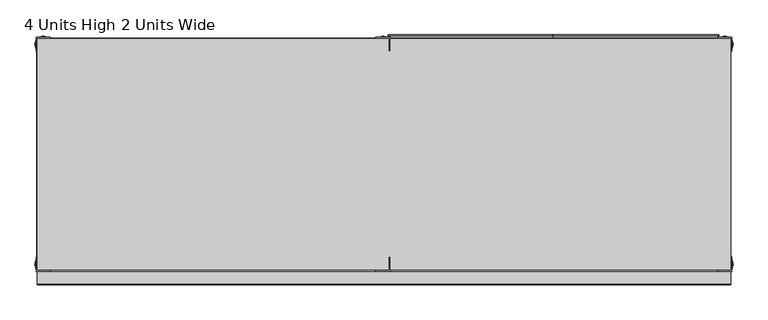
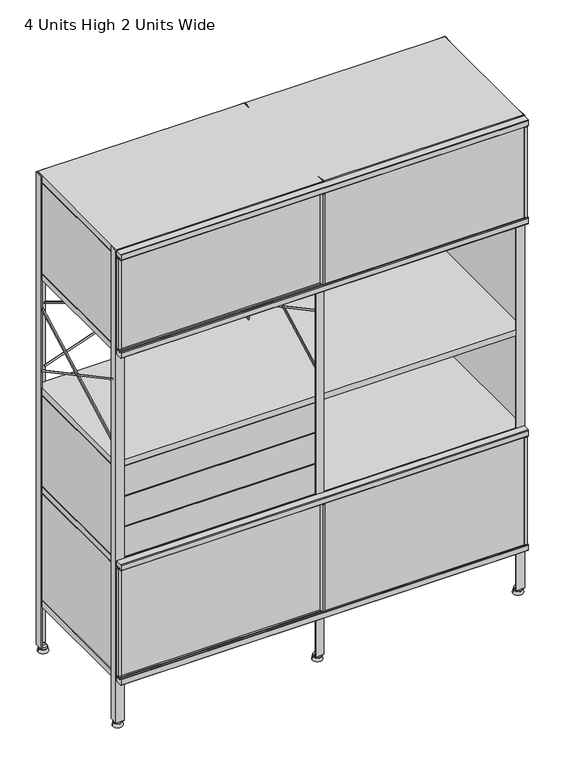
"""IFC4 building model written with IfcOpenShell, lengths in millimetres: furniture geometry, 4 Units High 2 Units Wide."""

from ifc_helpers import new_model, si_unit, point, frame, frame_2d, origin, place, context, project, spatial, polyline, circle_curve, trimmed, segment, composite_curve, outline, extrude, source, transform, mapped, element, save
from ifc_brep_helpers import plane_surface, cylinder_surface, revolved_surface, advanced_brep


def furniture_4_units_high_2_units_wide_378508bb(model_context):
    return source(origin(), model_context, "Body", "SolidModel", [
        extrude(outline(polyline([(8.3478812, -200.02373), (5.1728814, -200.02373), (5.1728814, 200.02627), (8.3478812, 200.02627), (8.3478812, -200.02373)])), frame((0.0, 0.0, 523.8750121), z_axis=(0.0, 0.0, 1.0), x_axis=(1.0, 0.0, 0.0)), (0.0, 0.0, 1.0), 279.3999879),
        extrude(outline(polyline([(-180.6932965, 804.9090815), (-180.6932965, 522.3341057), (-199.7432965, 522.3341057), (-199.7432965, 614.4090815), (-196.5682965, 614.4090815), (-196.5682965, 617.5841057), (-199.7432965, 617.5841057), (-199.7432965, 709.6590815), (-196.5682965, 709.6590815), (-196.5682965, 712.8341057), (-199.7432965, 712.8341057), (-199.7432965, 804.9090815), (-180.6932965, 804.9090815)])), frame((-575.9091662, 0.0, 0.0), z_axis=(1.0, 0.0, 0.0), x_axis=(0.0, 1.0, 0.0)), (0.0, 0.0, 1.0), 561.1812394),
        extrude(outline(composite_curve([segment(trimmed(circle_curve(frame_2d((-601.2661441, -0.4511299)), 2.38125), [point((-601.2661441, 1.93012))], [point((-601.2661441, -2.83238))], False, "CARTESIAN"), True, "CONTINUOUS"), segment(trimmed(circle_curve(frame_2d((-601.2661441, -0.4511299)), 2.38125), [point((-601.2661441, -2.83238))], [point((-601.2661441, 1.93012))], False, "CARTESIAN"), True, "CONTINUOUS")], self_intersect=False)), frame((609.6, 183.0163154, 217.0250161), z_axis=(0.0, -0.8819407308126632, 0.47136031582392013), x_axis=(1.0, 0.0, 0.0)), (0.0, 0.0, 1.0), 412.85537),
        extrude(outline(composite_curve([segment(trimmed(circle_curve(frame_2d((-601.2661441, 0.0)), 2.38125), [point((-601.2661441, 2.38125))], [point((-601.2661441, -2.38125))], False, "CARTESIAN"), True, "CONTINUOUS"), segment(trimmed(circle_curve(frame_2d((-601.2661441, 0.0)), 2.38125), [point((-601.2661441, -2.38125))], [point((-601.2661441, 2.38125))], False, "CARTESIAN"), True, "CONTINUOUS")], self_intersect=False)), frame((609.6, -182.0584022, 217.0282136), z_axis=(0.0, 0.8819490079467, 0.47134482852984805), x_axis=(1.0, 0.0, 0.0)), (0.0, 0.0, 1.0), 412.855368),
        extrude(outline(polyline([(11.11123, 196.8512702), (11.11123, 200.02627), (595.3137702, 200.02627), (595.3137702, 196.8512702), (11.11123, 196.8512702)])), frame((0.0, 0.0, 1184.275), z_axis=(0.0, 0.0, 1.0), x_axis=(1.0, 0.0, 0.0)), (0.0, 0.0, 1.0), 279.4),
        extrude(outline(polyline([(6.34873, 200.02627), (6.34873, 196.8512702), (-595.3137702, 196.8512702), (-595.3137702, 200.02627), (6.34873, 200.02627)])), frame((0.0, 0.0, 1184.275), z_axis=(0.0, 0.0, 1.0), x_axis=(1.0, 0.0, 0.0)), (0.0, 0.0, 1.0), 279.4),
        extrude(outline(polyline([(11.11123, 196.8512702), (11.11123, 200.02627), (595.3137702, 200.02627), (595.3137702, 196.8512702), (11.11123, 196.8512702)])), frame((0.0, 0.0, 523.875), z_axis=(0.0, 0.0, 1.0), x_axis=(1.0, 0.0, 0.0)), (0.0, 0.0, 1.0), 279.4),
        extrude(outline(polyline([(6.34873, 200.02627), (6.34873, 196.8512702), (-595.3137702, 196.8512702), (-595.3137702, 200.02627), (6.34873, 200.02627)])), frame((0.0, 0.0, 523.875), z_axis=(0.0, 0.0, 1.0), x_axis=(1.0, 0.0, 0.0)), (0.0, 0.0, 1.0), 279.4),
        extrude(outline(polyline([(598.48877, -200.02373), (595.3137702, -200.02373), (595.3137702, 200.02627), (598.48877, 200.02627), (598.48877, -200.02373)])), frame((0.0, 0.0, 1184.2750121), z_axis=(0.0, 0.0, 1.0), x_axis=(1.0, 0.0, 0.0)), (0.0, 0.0, 1.0), 279.3999879),
        extrude(outline(polyline([(598.48877, -200.02373), (595.3137702, -200.02373), (595.3137702, 200.02627), (598.48877, 200.02627), (598.48877, -200.02373)])), frame((0.0, 0.0, 828.6749879), z_axis=(0.0, 0.0, 1.0), x_axis=(1.0, 0.0, 0.0)), (0.0, 0.0, 1.0), 330.1999939),
        extrude(outline(polyline([(598.48877, -200.02373), (595.3137702, -200.02373), (595.3137702, 200.02627), (598.48877, 200.02627), (598.48877, -200.02373)])), frame((0.0, 0.0, 523.8750121), z_axis=(0.0, 0.0, 1.0), x_axis=(1.0, 0.0, 0.0)), (0.0, 0.0, 1.0), 279.3999879),
        extrude(outline(polyline([(-595.3137702, -200.02373), (-598.48877, -200.02373), (-598.48877, 200.02627), (-595.3137702, 200.02627), (-595.3137702, -200.02373)])), frame((0.0, 0.0, 1184.2750121), z_axis=(0.0, 0.0, 1.0), x_axis=(1.0, 0.0, 0.0)), (0.0, 0.0, 1.0), 279.3999879),
        extrude(outline(polyline([(-595.3137702, -200.02373), (-598.48877, -200.02373), (-598.48877, 200.02627), (-595.3137702, 200.02627), (-595.3137702, -200.02373)])), frame((0.0, 0.0, 523.8750121), z_axis=(0.0, 0.0, 1.0), x_axis=(1.0, 0.0, 0.0)), (0.0, 0.0, 1.0), 279.3999879),
        extrude(outline(polyline([(-598.48877, 200.02627), (7.9362421, 200.02627), (7.9362421, 177.8012708), (11.11123, 177.8012708), (11.11123, 200.02627), (598.4862058, 200.02627), (598.4862058, -200.02373), (11.11123, -200.02373), (11.11123, -177.7987421), (7.9362421, -177.7987421), (7.9362421, -200.02373), (-598.48877, -200.02373), (-598.48877, 200.02627)])), frame((0.0, 0.0, 1162.05), z_axis=(0.0, 0.0, 1.0), x_axis=(1.0, 0.0, 0.0)), (0.0, 0.0, 1.0), 19.05),
        extrude(outline(polyline([(-598.48877, 200.02627), (7.9362421, 200.02627), (7.9362421, 177.8012708), (11.11123, 177.8012708), (11.11123, 200.02627), (598.4862058, 200.02627), (598.4862058, -200.02373), (11.11123, -200.02373), (11.11123, -177.7987421), (7.9362421, -177.7987421), (7.9362421, -200.02373), (-598.48877, -200.02373), (-598.48877, 200.02627)])), frame((0.0, 0.0, 806.45), z_axis=(0.0, 0.0, 1.0), x_axis=(1.0, 0.0, 0.0)), (0.0, 0.0, 1.0), 19.05),
        extrude(outline(polyline([(-598.48877, 200.02627), (7.9362421, 200.02627), (7.9362421, 177.8012708), (11.11123, 177.8012708), (11.11123, 200.02627), (598.4862058, 200.02627), (598.4862058, -200.02373), (11.11123, -200.02373), (11.11123, -177.7987421), (7.9362421, -177.7987421), (7.9362421, -200.02373), (-598.48877, -200.02373), (-598.48877, 200.02627)])), frame((0.0, 0.0, 501.6500121), z_axis=(0.0, 0.0, 1.0), x_axis=(1.0, 0.0, 0.0)), (0.0, 0.0, 1.0), 19.0499879),
        extrude(outline(polyline([(11.11123, 196.8512702), (11.11123, 200.02627), (595.3137702, 200.02627), (595.3137702, 196.8512702), (11.11123, 196.8512702)])), frame((0.0, 0.0, 168.2749939), z_axis=(0.0, 0.0, 1.0), x_axis=(1.0, 0.0, 0.0)), (0.0, 0.0, 1.0), 330.1999939),
        extrude(outline(polyline([(6.34873, 200.02627), (6.34873, 196.8512702), (-595.3137702, 196.8512702), (-595.3137702, 200.02627), (6.34873, 200.02627)])), frame((0.0, 0.0, 168.2749939), z_axis=(0.0, 0.0, 1.0), x_axis=(1.0, 0.0, 0.0)), (0.0, 0.0, 1.0), 330.1999939),
        extrude(outline(polyline([(598.48877, -200.02373), (595.3137702, -200.02373), (595.3137702, 200.02627), (598.48877, 200.02627), (598.48877, -200.02373)])), frame((0.0, 0.0, 168.2749939), z_axis=(0.0, 0.0, 1.0), x_axis=(1.0, 0.0, 0.0)), (0.0, 0.0, 1.0), 330.1999939),
        extrude(outline(polyline([(-595.3137702, -200.02373), (-598.48877, -200.02373), (-598.48877, 200.02627), (-595.3137702, 200.02627), (-595.3137702, -200.02373)])), frame((0.0, 0.0, 168.2749939), z_axis=(0.0, 0.0, 1.0), x_axis=(1.0, 0.0, 0.0)), (0.0, 0.0, 1.0), 330.1999939),
        extrude(outline(polyline([(-598.48877, 200.02627), (7.9362421, 200.02627), (7.9362421, 177.8012708), (11.11123, 177.8012708), (11.11123, 200.02627), (598.4862058, 200.02627), (598.4862058, -200.02373), (11.11123, -200.02373), (11.11123, -177.7987421), (7.9362421, -177.7987421), (7.9362421, -200.02373), (-598.48877, -200.02373), (-598.48877, 200.02627)])), frame((0.0, 0.0, 146.049997), z_axis=(0.0, 0.0, 1.0), x_axis=(1.0, 0.0, 0.0)), (0.0, 0.0, 1.0), 19.0500091),
        extrude(outline(polyline([(600.8674558, 177.8012708), (598.4862058, 177.8012708), (598.4862058, 200.02627), (576.2612542, 200.02627), (576.2612542, 202.40752), (600.8674558, 202.40752), (600.8674558, 177.8012708)])), frame((0.0, 0.0, 15.8749996), z_axis=(0.0, 0.0, 1.0), x_axis=(1.0, 0.0, 0.0)), (0.0, 0.0, 1.0), 1468.5772004),
        extrude(outline(polyline([(576.2612542, -202.40498), (576.2612542, -200.02373), (598.4862058, -200.02373), (598.4862058, -177.7987421), (600.8674558, -177.7987421), (600.8674558, -202.40498), (576.2612542, -202.40498)])), frame((0.0, 0.0, 15.8749996), z_axis=(0.0, 0.0, 1.0), x_axis=(1.0, 0.0, 0.0)), (0.0, 0.0, 1.0), 1468.5772004),
        extrude(outline(polyline([(-600.87002, 177.8012708), (-600.87002, 202.40752), (-576.2637708, 202.40752), (-576.2637708, 200.02627), (-598.48877, 200.02627), (-598.48877, 177.8012708), (-600.87002, 177.8012708)])), frame((0.0, 0.0, 15.8749996), z_axis=(0.0, 0.0, 1.0), x_axis=(1.0, 0.0, 0.0)), (0.0, 0.0, 1.0), 1468.5772004),
        extrude(outline(polyline([(-600.87002, -202.40498), (-600.87002, -177.7987421), (-598.48877, -177.7987421), (-598.48877, -200.02373), (-576.2637708, -200.02373), (-576.2637708, -202.40498), (-600.87002, -202.40498)])), frame((0.0, 0.0, 15.8749996), z_axis=(0.0, 0.0, 1.0), x_axis=(1.0, 0.0, 0.0)), (0.0, 0.0, 1.0), 1468.5772004),
        extrude(outline(polyline([(8.3478812, -200.02373), (8.3478812, -177.7987421), (10.7291312, -177.7987421), (10.7291312, -202.40498), (-13.877143, -202.40498), (-13.877143, -200.02373), (8.3478812, -200.02373)])), frame((0.0, 0.0, 15.8749996), z_axis=(0.0, 0.0, 1.0), x_axis=(1.0, 0.0, 0.0)), (0.0, 0.0, 1.0), 1468.5772004),
        extrude(outline(polyline([(10.7273145, 177.8012708), (8.3460645, 177.8012708), (8.3460645, 200.02627), (-13.8789234, 200.02627), (-13.8789234, 202.40752), (10.7273145, 202.40752), (10.7273145, 177.8012708)])), frame((0.0, 0.0, 15.8749996), z_axis=(0.0, 0.0, 1.0), x_axis=(1.0, 0.0, 0.0)), (0.0, 0.0, 1.0), 1468.5772004),
        advanced_brep(
        [(588.564355, 190.1043954, 0.0), (602.8518561, 190.1043954, 0.0), (574.2768539, 190.1043954, 0.0), (601.2643554, 190.1043954, 9.525), (575.8643546, 190.1043954, 9.525), (599.6768546, 190.1043954, 9.525), (577.4518554, 190.1043954, 9.525), (599.6768546, 190.1043954, 15.8749996), (577.4518554, 190.1043954, 15.8749996), (588.564355, 190.1043954, 15.8749996)],
        [
            (0, 1),
            (1, 2, circle_curve(frame((588.564355, 190.1043954, 0.0), z_axis=(0.0, 0.0, -1.0), x_axis=(1.0, 0.0, 0.0)), 14.2875011)),
            (2, 0),
            (2, 1, circle_curve(frame((588.564355, 190.1043954, 0.0), z_axis=(0.0, 0.0, -1.0), x_axis=(1.0, 0.0, 0.0)), 14.2875011)),
            (1, 3),
            (3, 4, circle_curve(frame((588.564355, 190.1043954, 9.525), z_axis=(0.0, 0.0, -1.0), x_axis=(1.0, 0.0, 0.0)), 12.7000004)),
            (4, 2),
            (4, 3, circle_curve(frame((588.564355, 190.1043954, 9.525), z_axis=(0.0, 0.0, -1.0), x_axis=(1.0, 0.0, 0.0)), 12.7000004)),
            (3, 5),
            (5, 6, circle_curve(frame((588.564355, 190.1043954, 9.525), z_axis=(0.0, 0.0, -1.0), x_axis=(1.0, 0.0, 0.0)), 11.1124996)),
            (6, 4),
            (6, 5, circle_curve(frame((588.564355, 190.1043954, 9.525), z_axis=(0.0, 0.0, -1.0), x_axis=(1.0, 0.0, 0.0)), 11.1124996)),
            (5, 7),
            (7, 8, circle_curve(frame((588.564355, 190.1043954, 15.8749996), z_axis=(0.0, 0.0, -1.0), x_axis=(1.0, 0.0, 0.0)), 11.1124996)),
            (8, 6),
            (8, 7, circle_curve(frame((588.564355, 190.1043954, 15.8749996), z_axis=(0.0, 0.0, -1.0), x_axis=(1.0, 0.0, 0.0)), 11.1124996)),
            (7, 9),
            (9, 8),
        ],
        [
            plane_surface(frame((588.564355, 190.1043954, 0.0), z_axis=(0.0, 0.0, -1.0), x_axis=(1.0, 0.0, 0.0))),
            revolved_surface(polyline([(601.2643554, 190.1043954, 9.525), (602.8518561, 190.1043954, 0.0)]), (588.564355, 190.1043954, 0.0), (0.0, 0.0, -1.0)),
            plane_surface(frame((588.564355, 190.1043954, 9.525), z_axis=(0.0, 0.0, 1.0), x_axis=(1.0, 0.0, 0.0))),
            cylinder_surface(frame((588.564355, 190.1043954, 0.0), z_axis=(0.0, 0.0, -1.0), x_axis=(1.0, 0.0, 0.0)), 11.1124996),
            plane_surface(frame((588.564355, 190.1043954, 15.8749996), z_axis=(0.0, 0.0, 1.0), x_axis=(1.0, 0.0, 0.0))),
        ],
        [
            (0, [[1, 2, 3]]),
            (0, [[-3, 4, -1]]),
            (1, [[-2, 5, 6, 7]]),
            (1, [[-4, -7, 8, -5]]),
            (2, [[-6, 9, 10, 11]]),
            (2, [[-8, -11, 12, -9]]),
            (3, [[-10, 13, 14, 15]]),
            (3, [[-12, -15, 16, -13]]),
            (4, [[-14, 17, 18]]),
            (4, [[-16, -18, -17]]),
        ],
    ),
        advanced_brep(
        [(588.564355, -190.1018429, 0.0), (602.8518561, -190.1018429, 0.0), (574.2768539, -190.1018429, 0.0), (601.2643554, -190.1018429, 9.525), (575.8643546, -190.1018429, 9.525), (599.6768546, -190.1018429, 9.525), (577.4518554, -190.1018429, 9.525), (599.6768546, -190.1018429, 15.8749996), (577.4518554, -190.1018429, 15.8749996), (588.564355, -190.1018429, 15.8749996)],
        [
            (0, 1),
            (1, 2, circle_curve(frame((588.564355, -190.1018429, 0.0), z_axis=(0.0, 0.0, -1.0), x_axis=(1.0, 0.0, 0.0)), 14.2875011)),
            (2, 0),
            (2, 1, circle_curve(frame((588.564355, -190.1018429, 0.0), z_axis=(0.0, 0.0, -1.0), x_axis=(1.0, 0.0, 0.0)), 14.2875011)),
            (1, 3),
            (3, 4, circle_curve(frame((588.564355, -190.1018429, 9.525), z_axis=(0.0, 0.0, -1.0), x_axis=(1.0, 0.0, 0.0)), 12.7000004)),
            (4, 2),
            (4, 3, circle_curve(frame((588.564355, -190.1018429, 9.525), z_axis=(0.0, 0.0, -1.0), x_axis=(1.0, 0.0, 0.0)), 12.7000004)),
            (3, 5),
            (5, 6, circle_curve(frame((588.564355, -190.1018429, 9.525), z_axis=(0.0, 0.0, -1.0), x_axis=(1.0, 0.0, 0.0)), 11.1124996)),
            (6, 4),
            (6, 5, circle_curve(frame((588.564355, -190.1018429, 9.525), z_axis=(0.0, 0.0, -1.0), x_axis=(1.0, 0.0, 0.0)), 11.1124996)),
            (5, 7),
            (7, 8, circle_curve(frame((588.564355, -190.1018429, 15.8749996), z_axis=(0.0, 0.0, -1.0), x_axis=(1.0, 0.0, 0.0)), 11.1124996)),
            (8, 6),
            (8, 7, circle_curve(frame((588.564355, -190.1018429, 15.8749996), z_axis=(0.0, 0.0, -1.0), x_axis=(1.0, 0.0, 0.0)), 11.1124996)),
            (7, 9),
            (9, 8),
        ],
        [
            plane_surface(frame((588.564355, -190.1018429, 0.0), z_axis=(0.0, 0.0, -1.0), x_axis=(1.0, 0.0, 0.0))),
            revolved_surface(polyline([(601.2643554, -190.1018429, 9.525), (602.8518561, -190.1018429, 0.0)]), (588.564355, -190.1018429, 0.0), (0.0, 0.0, -1.0)),
            plane_surface(frame((588.564355, -190.1018429, 9.525), z_axis=(0.0, 0.0, 1.0), x_axis=(1.0, 0.0, 0.0))),
            cylinder_surface(frame((588.564355, -190.1018429, 0.0), z_axis=(0.0, 0.0, -1.0), x_axis=(1.0, 0.0, 0.0)), 11.1124996),
            plane_surface(frame((588.564355, -190.1018429, 15.8749996), z_axis=(0.0, 0.0, 1.0), x_axis=(1.0, 0.0, 0.0))),
        ],
        [
            (0, [[1, 2, 3]]),
            (0, [[-3, 4, -1]]),
            (1, [[-2, 5, 6, 7]]),
            (1, [[-4, -7, 8, -5]]),
            (2, [[-6, 9, 10, 11]]),
            (2, [[-8, -11, 12, -9]]),
            (3, [[-10, 13, 14, 15]]),
            (3, [[-12, -15, 16, -13]]),
            (4, [[-14, 17, 18]]),
            (4, [[-16, -18, -17]]),
        ],
    ),
        advanced_brep(
        [(-1.5740059, 190.1043954, 0.0), (12.7134953, 190.1043954, 0.0), (-15.861507, 190.1043954, 0.0), (11.1259945, 190.1043954, 9.525), (-14.2740063, 190.1043954, 9.525), (9.5384937, 190.1043954, 9.525), (-12.6865055, 190.1043954, 9.525), (9.5384937, 190.1043954, 15.8749996), (-12.6865055, 190.1043954, 15.8749996), (-1.5740059, 190.1043954, 15.8749996)],
        [
            (0, 1),
            (1, 2, circle_curve(frame((-1.5740059, 190.1043954, 0.0), z_axis=(0.0, 0.0, -1.0), x_axis=(1.0, 0.0, 0.0)), 14.2875011)),
            (2, 0),
            (2, 1, circle_curve(frame((-1.5740059, 190.1043954, 0.0), z_axis=(0.0, 0.0, -1.0), x_axis=(1.0, 0.0, 0.0)), 14.2875011)),
            (1, 3),
            (3, 4, circle_curve(frame((-1.5740059, 190.1043954, 9.525), z_axis=(0.0, 0.0, -1.0), x_axis=(1.0, 0.0, 0.0)), 12.7000004)),
            (4, 2),
            (4, 3, circle_curve(frame((-1.5740059, 190.1043954, 9.525), z_axis=(0.0, 0.0, -1.0), x_axis=(1.0, 0.0, 0.0)), 12.7000004)),
            (3, 5),
            (5, 6, circle_curve(frame((-1.5740059, 190.1043954, 9.525), z_axis=(0.0, 0.0, -1.0), x_axis=(1.0, 0.0, 0.0)), 11.1124996)),
            (6, 4),
            (6, 5, circle_curve(frame((-1.5740059, 190.1043954, 9.525), z_axis=(0.0, 0.0, -1.0), x_axis=(1.0, 0.0, 0.0)), 11.1124996)),
            (5, 7),
            (7, 8, circle_curve(frame((-1.5740059, 190.1043954, 15.8749996), z_axis=(0.0, 0.0, -1.0), x_axis=(1.0, 0.0, 0.0)), 11.1124996)),
            (8, 6),
            (8, 7, circle_curve(frame((-1.5740059, 190.1043954, 15.8749996), z_axis=(0.0, 0.0, -1.0), x_axis=(1.0, 0.0, 0.0)), 11.1124996)),
            (7, 9),
            (9, 8),
        ],
        [
            plane_surface(frame((-1.5740059, 190.1043954, 0.0), z_axis=(0.0, 0.0, -1.0), x_axis=(1.0, 0.0, 0.0))),
            revolved_surface(polyline([(11.1259945, 190.1043954, 9.525), (12.7134953, 190.1043954, 0.0)]), (-1.5740059, 190.1043954, 0.0), (0.0, 0.0, -1.0)),
            plane_surface(frame((-1.5740059, 190.1043954, 9.525), z_axis=(0.0, 0.0, 1.0), x_axis=(1.0, 0.0, 0.0))),
            cylinder_surface(frame((-1.5740059, 190.1043954, 0.0), z_axis=(0.0, 0.0, -1.0), x_axis=(1.0, 0.0, 0.0)), 11.1124996),
            plane_surface(frame((-1.5740059, 190.1043954, 15.8749996), z_axis=(0.0, 0.0, 1.0), x_axis=(1.0, 0.0, 0.0))),
        ],
        [
            (0, [[1, 2, 3]]),
            (0, [[-3, 4, -1]]),
            (1, [[-2, 5, 6, 7]]),
            (1, [[-4, -7, 8, -5]]),
            (2, [[-6, 9, 10, 11]]),
            (2, [[-8, -11, 12, -9]]),
            (3, [[-10, 13, 14, 15]]),
            (3, [[-12, -15, 16, -13]]),
            (4, [[-14, 17, 18]]),
            (4, [[-16, -18, -17]]),
        ],
    ),
        advanced_brep(
        [(-1.5740059, -190.1018429, 0.0), (12.7134953, -190.1018429, 0.0), (-15.861507, -190.1018429, 0.0), (11.1259945, -190.1018429, 9.525), (-14.2740063, -190.1018429, 9.525), (9.5384937, -190.1018429, 9.525), (-12.6865055, -190.1018429, 9.525), (9.5384937, -190.1018429, 15.8749996), (-12.6865055, -190.1018429, 15.8749996), (-1.5740059, -190.1018429, 15.8749996)],
        [
            (0, 1),
            (1, 2, circle_curve(frame((-1.5740059, -190.1018429, 0.0), z_axis=(0.0, 0.0, -1.0), x_axis=(1.0, 0.0, 0.0)), 14.2875011)),
            (2, 0),
            (2, 1, circle_curve(frame((-1.5740059, -190.1018429, 0.0), z_axis=(0.0, 0.0, -1.0), x_axis=(1.0, 0.0, 0.0)), 14.2875011)),
            (1, 3),
            (3, 4, circle_curve(frame((-1.5740059, -190.1018429, 9.525), z_axis=(0.0, 0.0, -1.0), x_axis=(1.0, 0.0, 0.0)), 12.7000004)),
            (4, 2),
            (4, 3, circle_curve(frame((-1.5740059, -190.1018429, 9.525), z_axis=(0.0, 0.0, -1.0), x_axis=(1.0, 0.0, 0.0)), 12.7000004)),
            (3, 5),
            (5, 6, circle_curve(frame((-1.5740059, -190.1018429, 9.525), z_axis=(0.0, 0.0, -1.0), x_axis=(1.0, 0.0, 0.0)), 11.1124996)),
            (6, 4),
            (6, 5, circle_curve(frame((-1.5740059, -190.1018429, 9.525), z_axis=(0.0, 0.0, -1.0), x_axis=(1.0, 0.0, 0.0)), 11.1124996)),
            (5, 7),
            (7, 8, circle_curve(frame((-1.5740059, -190.1018429, 15.8749996), z_axis=(0.0, 0.0, -1.0), x_axis=(1.0, 0.0, 0.0)), 11.1124996)),
            (8, 6),
            (8, 7, circle_curve(frame((-1.5740059, -190.1018429, 15.8749996), z_axis=(0.0, 0.0, -1.0), x_axis=(1.0, 0.0, 0.0)), 11.1124996)),
            (7, 9),
            (9, 8),
        ],
        [
            plane_surface(frame((-1.5740059, -190.1018429, 0.0), z_axis=(0.0, 0.0, -1.0), x_axis=(1.0, 0.0, 0.0))),
            revolved_surface(polyline([(11.1259945, -190.1018429, 9.525), (12.7134953, -190.1018429, 0.0)]), (-1.5740059, -190.1018429, 0.0), (0.0, 0.0, -1.0)),
            plane_surface(frame((-1.5740059, -190.1018429, 9.525), z_axis=(0.0, 0.0, 1.0), x_axis=(1.0, 0.0, 0.0))),
            cylinder_surface(frame((-1.5740059, -190.1018429, 0.0), z_axis=(0.0, 0.0, -1.0), x_axis=(1.0, 0.0, 0.0)), 11.1124996),
            plane_surface(frame((-1.5740059, -190.1018429, 15.8749996), z_axis=(0.0, 0.0, 1.0), x_axis=(1.0, 0.0, 0.0))),
        ],
        [
            (0, [[1, 2, 3]]),
            (0, [[-3, 4, -1]]),
            (1, [[-2, 5, 6, 7]]),
            (1, [[-4, -7, 8, -5]]),
            (2, [[-6, 9, 10, 11]]),
            (2, [[-8, -11, 12, -9]]),
            (3, [[-10, 13, 14, 15]]),
            (3, [[-12, -15, 16, -13]]),
            (4, [[-14, 17, 18]]),
            (4, [[-16, -18, -17]]),
        ],
    ),
        advanced_brep(
        [(-588.5668954, 190.1043954, 0.0), (-574.2793942, 190.1043954, 0.0), (-602.8543965, 190.1043954, 0.0), (-575.866895, 190.1043954, 9.525), (-601.2668958, 190.1043954, 9.525), (-577.4543958, 190.1043954, 9.525), (-599.679395, 190.1043954, 9.525), (-577.4543958, 190.1043954, 15.8749996), (-599.679395, 190.1043954, 15.8749996), (-588.5668954, 190.1043954, 15.8749996)],
        [
            (0, 1),
            (1, 2, circle_curve(frame((-588.5668954, 190.1043954, 0.0), z_axis=(0.0, 0.0, -1.0), x_axis=(1.0, 0.0, 0.0)), 14.2875011)),
            (2, 0),
            (2, 1, circle_curve(frame((-588.5668954, 190.1043954, 0.0), z_axis=(0.0, 0.0, -1.0), x_axis=(1.0, 0.0, 0.0)), 14.2875011)),
            (1, 3),
            (3, 4, circle_curve(frame((-588.5668954, 190.1043954, 9.525), z_axis=(0.0, 0.0, -1.0), x_axis=(1.0, 0.0, 0.0)), 12.7000004)),
            (4, 2),
            (4, 3, circle_curve(frame((-588.5668954, 190.1043954, 9.525), z_axis=(0.0, 0.0, -1.0), x_axis=(1.0, 0.0, 0.0)), 12.7000004)),
            (3, 5),
            (5, 6, circle_curve(frame((-588.5668954, 190.1043954, 9.525), z_axis=(0.0, 0.0, -1.0), x_axis=(1.0, 0.0, 0.0)), 11.1124996)),
            (6, 4),
            (6, 5, circle_curve(frame((-588.5668954, 190.1043954, 9.525), z_axis=(0.0, 0.0, -1.0), x_axis=(1.0, 0.0, 0.0)), 11.1124996)),
            (5, 7),
            (7, 8, circle_curve(frame((-588.5668954, 190.1043954, 15.8749996), z_axis=(0.0, 0.0, -1.0), x_axis=(1.0, 0.0, 0.0)), 11.1124996)),
            (8, 6),
            (8, 7, circle_curve(frame((-588.5668954, 190.1043954, 15.8749996), z_axis=(0.0, 0.0, -1.0), x_axis=(1.0, 0.0, 0.0)), 11.1124996)),
            (7, 9),
            (9, 8),
        ],
        [
            plane_surface(frame((-588.5668954, 190.1043954, 0.0), z_axis=(0.0, 0.0, -1.0), x_axis=(1.0, 0.0, 0.0))),
            revolved_surface(polyline([(-575.866895, 190.1043954, 9.525), (-574.2793942, 190.1043954, 0.0)]), (-588.5668954, 190.1043954, 0.0), (0.0, 0.0, -1.0)),
            plane_surface(frame((-588.5668954, 190.1043954, 9.525), z_axis=(0.0, 0.0, 1.0), x_axis=(1.0, 0.0, 0.0))),
            cylinder_surface(frame((-588.5668954, 190.1043954, 0.0), z_axis=(0.0, 0.0, -1.0), x_axis=(1.0, 0.0, 0.0)), 11.1124996),
            plane_surface(frame((-588.5668954, 190.1043954, 15.8749996), z_axis=(0.0, 0.0, 1.0), x_axis=(1.0, 0.0, 0.0))),
        ],
        [
            (0, [[1, 2, 3]]),
            (0, [[-3, 4, -1]]),
            (1, [[-2, 5, 6, 7]]),
            (1, [[-4, -7, 8, -5]]),
            (2, [[-6, 9, 10, 11]]),
            (2, [[-8, -11, 12, -9]]),
            (3, [[-10, 13, 14, 15]]),
            (3, [[-12, -15, 16, -13]]),
            (4, [[-14, 17, 18]]),
            (4, [[-16, -18, -17]]),
        ],
    ),
        advanced_brep(
        [(-588.5668954, -190.1018429, 0.0), (-574.2793942, -190.1018429, 0.0), (-602.8543965, -190.1018429, 0.0), (-575.866895, -190.1018429, 9.525), (-601.2668958, -190.1018429, 9.525), (-577.4543958, -190.1018429, 9.525), (-599.679395, -190.1018429, 9.525), (-577.4543958, -190.1018429, 15.8749996), (-599.679395, -190.1018429, 15.8749996), (-588.5668954, -190.1018429, 15.8749996)],
        [
            (0, 1),
            (1, 2, circle_curve(frame((-588.5668954, -190.1018429, 0.0), z_axis=(0.0, 0.0, -1.0), x_axis=(1.0, 0.0, 0.0)), 14.2875011)),
            (2, 0),
            (2, 1, circle_curve(frame((-588.5668954, -190.1018429, 0.0), z_axis=(0.0, 0.0, -1.0), x_axis=(1.0, 0.0, 0.0)), 14.2875011)),
            (1, 3),
            (3, 4, circle_curve(frame((-588.5668954, -190.1018429, 9.525), z_axis=(0.0, 0.0, -1.0), x_axis=(1.0, 0.0, 0.0)), 12.7000004)),
            (4, 2),
            (4, 3, circle_curve(frame((-588.5668954, -190.1018429, 9.525), z_axis=(0.0, 0.0, -1.0), x_axis=(1.0, 0.0, 0.0)), 12.7000004)),
            (3, 5),
            (5, 6, circle_curve(frame((-588.5668954, -190.1018429, 9.525), z_axis=(0.0, 0.0, -1.0), x_axis=(1.0, 0.0, 0.0)), 11.1124996)),
            (6, 4),
            (6, 5, circle_curve(frame((-588.5668954, -190.1018429, 9.525), z_axis=(0.0, 0.0, -1.0), x_axis=(1.0, 0.0, 0.0)), 11.1124996)),
            (5, 7),
            (7, 8, circle_curve(frame((-588.5668954, -190.1018429, 15.8749996), z_axis=(0.0, 0.0, -1.0), x_axis=(1.0, 0.0, 0.0)), 11.1124996)),
            (8, 6),
            (8, 7, circle_curve(frame((-588.5668954, -190.1018429, 15.8749996), z_axis=(0.0, 0.0, -1.0), x_axis=(1.0, 0.0, 0.0)), 11.1124996)),
            (7, 9),
            (9, 8),
        ],
        [
            plane_surface(frame((-588.5668954, -190.1018429, 0.0), z_axis=(0.0, 0.0, -1.0), x_axis=(1.0, 0.0, 0.0))),
            revolved_surface(polyline([(-575.866895, -190.1018429, 9.525), (-574.2793942, -190.1018429, 0.0)]), (-588.5668954, -190.1018429, 0.0), (0.0, 0.0, -1.0)),
            plane_surface(frame((-588.5668954, -190.1018429, 9.525), z_axis=(0.0, 0.0, 1.0), x_axis=(1.0, 0.0, 0.0))),
            cylinder_surface(frame((-588.5668954, -190.1018429, 0.0), z_axis=(0.0, 0.0, -1.0), x_axis=(1.0, 0.0, 0.0)), 11.1124996),
            plane_surface(frame((-588.5668954, -190.1018429, 15.8749996), z_axis=(0.0, 0.0, 1.0), x_axis=(1.0, 0.0, 0.0))),
        ],
        [
            (0, [[1, 2, 3]]),
            (0, [[-3, 4, -1]]),
            (1, [[-2, 5, 6, 7]]),
            (1, [[-4, -7, 8, -5]]),
            (2, [[-6, 9, 10, 11]]),
            (2, [[-8, -11, 12, -9]]),
            (3, [[-10, 13, 14, 15]]),
            (3, [[-12, -15, 16, -13]]),
            (4, [[-14, 17, 18]]),
            (4, [[-16, -18, -17]]),
        ],
    ),
        extrude(outline(polyline([(-598.48877, 200.02627), (7.9362421, 200.02627), (7.9362421, 177.8012708), (11.11123, 177.8012708), (11.11123, 200.02627), (598.4862058, 200.02627), (598.4862058, -200.02373), (11.11123, -200.02373), (11.11123, -177.7987421), (7.9362421, -177.7987421), (7.9362421, -200.02373), (-598.48877, -200.02373), (-598.48877, 200.02627)])), frame((0.0, 0.0, 1466.85), z_axis=(0.0, 0.0, 1.0), x_axis=(1.0, 0.0, 0.0)), (0.0, 0.0, 1.0), 19.05),
        extrude(outline(polyline([(592.5330808, -216.2198708), (592.5330808, -219.3948587), (3.1737421, -219.3948587), (3.1737421, -216.2198708), (592.5330808, -216.2198708)])), frame((0.0, 0.0, 1176.2516768), z_axis=(0.0, 0.0, 1.0), x_axis=(1.0, 0.0, 0.0)), (0.0, 0.0, 1.0), 294.2030451),
        extrude(outline(polyline([(-1.9981325, -206.6948708), (-1.9981325, -209.8698587), (-595.3137702, -209.8698587), (-595.3137702, -206.6948708), (-1.9981325, -206.6948708)])), frame((0.0, 0.0, 1176.2516768), z_axis=(0.0, 0.0, 1.0), x_axis=(1.0, 0.0, 0.0)), (0.0, 0.0, 1.0), 294.2030451),
        extrude(outline(polyline([(589.3581292, -216.2198708), (589.3581292, -212.2511087), (595.708105, -212.2511087), (595.708105, -223.3636208), (589.3581292, -223.3636208), (589.3581292, -219.3948587), (592.5330808, -219.3948587), (592.5330808, -216.2198708), (589.3581292, -216.2198708)])), frame((0.0, 0.0, 166.6875), z_axis=(0.0, 0.0, 1.0), x_axis=(1.0, 0.0, 0.0)), (0.0, 0.0, 1.0), 332.5812621),
        extrude(outline(polyline([(-5.1923897, -223.3636208), (-5.1923897, -212.2511087), (1.1576224, -212.2511087), (1.1576224, -216.2198708), (-2.0174018, -216.2198708), (-2.0174018, -219.3948587), (1.1576224, -219.3948587), (1.1576224, -223.3636208), (-5.1923897, -223.3636208)])), frame((0.0, 0.0, 166.6875), z_axis=(0.0, 0.0, 1.0), x_axis=(1.0, 0.0, 0.0)), (0.0, 0.0, 1.0), 332.5812621),
        extrude(outline(polyline([(-598.48877, -213.8386208), (-598.48877, -202.7261087), (-592.1387698, -202.7261087), (-592.1387698, -206.6948708), (-595.3137702, -206.6948708), (-595.3137702, -209.8698587), (-592.1387698, -209.8698587), (-592.1387698, -213.8386208), (-598.48877, -213.8386208)])), frame((0.0, 0.0, 166.6875), z_axis=(0.0, 0.0, 1.0), x_axis=(1.0, 0.0, 0.0)), (0.0, 0.0, 1.0), 332.5812621),
        extrude(outline(polyline([(1.1576224, -216.2198708), (-2.0174018, -216.2198708), (-2.0174018, -219.3948587), (1.1576224, -219.3948587), (1.1576224, -223.3636208), (-5.1923897, -223.3636208), (-5.1923897, -212.2511087), (1.1576224, -212.2511087), (1.1576224, -216.2198708)])), frame((0.0, 0.0, 1182.6016525), z_axis=(0.0, 0.0, 1.0), x_axis=(1.0, 0.0, 0.0)), (0.0, 0.0, 1.0), 280.7093193),
        extrude(outline(polyline([(-592.1387698, -209.8698587), (-592.1387698, -213.8386208), (-598.48877, -213.8386208), (-598.48877, -202.7261087), (-592.1387698, -202.7261087), (-592.1387698, -206.6948708), (-595.3137702, -206.6948708), (-595.3137702, -209.8698587), (-592.1387698, -209.8698587)])), frame((0.0, 0.0, 1182.6016525), z_axis=(0.0, 0.0, 1.0), x_axis=(1.0, 0.0, 0.0)), (0.0, 0.0, 1.0), 280.7093193),
        extrude(outline(polyline([(589.3581292, -212.2511087), (595.708105, -212.2511087), (595.708105, -223.3636208), (589.3581292, -223.3636208), (589.3581292, -219.3948587), (592.5330808, -219.3948587), (592.5330808, -216.2198708), (589.3581292, -216.2198708), (589.3581292, -212.2511087)])), frame((0.0, 0.0, 1182.6016525), z_axis=(0.0, 0.0, 1.0), x_axis=(1.0, 0.0, 0.0)), (0.0, 0.0, 1.0), 280.7093193),
        extrude(outline(polyline([(592.5330808, -216.2198708), (592.5330808, -219.3948587), (3.1737421, -219.3948587), (3.1737421, -216.2198708), (592.5330808, -216.2198708)])), frame((0.0, 0.0, 160.3375061), z_axis=(0.0, 0.0, 1.0), x_axis=(1.0, 0.0, 0.0)), (0.0, 0.0, 1.0), 345.2812318),
        extrude(outline(polyline([(-1.9981325, -206.6948708), (-1.9981325, -209.8698587), (-595.3137702, -209.8698587), (-595.3137702, -206.6948708), (-1.9981325, -206.6948708)])), frame((0.0, 0.0, 160.3375061), z_axis=(0.0, 0.0, 1.0), x_axis=(1.0, 0.0, 0.0)), (0.0, 0.0, 1.0), 345.2812318),
        extrude(outline(composite_curve([segment(trimmed(circle_curve(frame_2d((-198.4395321, 5.9e-06)), 2.3876), [point((-198.4395321, -2.387594))], [point((-198.4395321, 2.3876059))], False, "CARTESIAN"), True, "CONTINUOUS"), segment(trimmed(circle_curve(frame_2d((-198.4395321, 5.9e-06)), 2.3876), [point((-198.4395321, 2.3876059))], [point((-198.4395321, -2.387594))], False, "CARTESIAN"), True, "CONTINUOUS")], self_intersect=False)), frame((-579.9478596, 0.0, 876.1128021), z_axis=(0.9449925954581241, 0.0, 0.3270917218905399), x_axis=(0.0, -1.0, 0.0)), (0.0, 0.0, 1.0), 602.9228492),
        extrude(outline(composite_curve([segment(trimmed(circle_curve(frame_2d((-198.4395321, -3.44e-05)), 2.3876), [point((-198.4395321, -2.3876344))], [point((-198.4395321, 2.3875656))], False, "CARTESIAN"), True, "CONTINUOUS"), segment(trimmed(circle_curve(frame_2d((-198.4395321, -3.44e-05)), 2.3876), [point((-198.4395321, 2.3875656))], [point((-198.4395321, -2.3876344))], False, "CARTESIAN"), True, "CONTINUOUS")], self_intersect=False)), frame((-10.2020039, 0.0, 876.0920912), z_axis=(-0.9449688165016072, 0.0, 0.32716041300797954), x_axis=(0.0, -1.0, 0.0)), (0.0, 0.0, 1.0), 602.9228689),
        extrude(outline(composite_curve([segment(trimmed(circle_curve(frame_2d((-203.994258, 2.24e-05)), 2.3876), [point((-203.994258, -2.3875775))], [point((-203.994258, 2.3876225))], False, "CARTESIAN"), True, "CONTINUOUS"), segment(trimmed(circle_curve(frame_2d((-203.994258, 2.24e-05)), 2.3876), [point((-203.994258, 2.3876225))], [point((-203.994258, -2.3875775))], False, "CARTESIAN"), True, "CONTINUOUS")], self_intersect=False)), frame((7.8182261, 0.0, 876.0920912), z_axis=(0.9449688169047555, 0.0, 0.3271604118435276), x_axis=(0.0, -1.0, 0.0)), (0.0, 0.0, 1.0), 602.9228711),
        extrude(outline(composite_curve([segment(trimmed(circle_curve(frame_2d((-203.994258, 5.9e-06)), 2.3876), [point((-203.994258, 2.387606))], [point((-203.994258, -2.387594))], False, "CARTESIAN"), True, "CONTINUOUS"), segment(trimmed(circle_curve(frame_2d((-203.994258, 5.9e-06)), 2.3876), [point((-203.994258, -2.387594))], [point((-203.994258, 2.387606))], False, "CARTESIAN"), True, "CONTINUOUS")], self_intersect=False)), frame((577.5640817, 0.0, 876.1128021), z_axis=(-0.9449926019057879, 0.0, 0.32709170326275333), x_axis=(0.0, -1.0, 0.0)), (0.0, 0.0, 1.0), 602.9228836),
        extrude(outline(composite_curve([segment(trimmed(circle_curve(frame_2d((-601.4740347, 3.21e-05)), 2.3876), [point((-601.4740347, -2.3875679))], [point((-601.4740347, 2.387632))], False, "CARTESIAN"), True, "CONTINUOUS"), segment(trimmed(circle_curve(frame_2d((-601.4740347, 3.21e-05)), 2.3876), [point((-601.4740347, 2.387632))], [point((-601.4740347, -2.3875679))], False, "CARTESIAN"), True, "CONTINUOUS")], self_intersect=False)), frame((609.6, -182.0584022, 877.4282015), z_axis=(0.0, 0.8819489713611689, 0.47134489698624726), x_axis=(1.0, 0.0, 0.0)), (0.0, 0.0, 1.0), 412.8553851),
        extrude(outline(composite_curve([segment(trimmed(circle_curve(frame_2d((-1206.50254, 3.21e-05)), 2.3876), [point((-1206.50254, -2.3875679))], [point((-1206.50254, 2.387632))], False, "CARTESIAN"), True, "CONTINUOUS"), segment(trimmed(circle_curve(frame_2d((-1206.50254, 3.21e-05)), 2.3876), [point((-1206.50254, 2.387632))], [point((-1206.50254, -2.3875679))], False, "CARTESIAN"), True, "CONTINUOUS")], self_intersect=False)), frame((609.6, -182.0584022, 877.4282015), z_axis=(0.0, 0.8819489713611689, 0.47134489698624726), x_axis=(1.0, 0.0, 0.0)), (0.0, 0.0, 1.0), 412.8553851),
        extrude(outline(composite_curve([segment(trimmed(circle_curve(frame_2d((-1206.50254, 0.0)), 2.3812501), [point((-1206.50254, 2.3812501))], [point((-1206.50254, -2.3812501))], False, "CARTESIAN"), True, "CONTINUOUS"), segment(trimmed(circle_curve(frame_2d((-1206.50254, 0.0)), 2.3812501), [point((-1206.50254, -2.3812501))], [point((-1206.50254, 2.3812501))], False, "CARTESIAN"), True, "CONTINUOUS")], self_intersect=False)), frame((609.6, 182.0592344, 877.425004), z_axis=(0.0, -0.8819406942262736, 0.4713603842790341), x_axis=(1.0, 0.0, 0.0)), (0.0, 0.0, 1.0), 412.8553871),
        extrude(outline(composite_curve([segment(trimmed(circle_curve(frame_2d((-601.4740347, 0.0)), 2.3812318), [point((-601.4740347, 2.3812319))], [point((-601.4740347, -2.3812318))], False, "CARTESIAN"), True, "CONTINUOUS"), segment(trimmed(circle_curve(frame_2d((-601.4740347, 0.0)), 2.3812318), [point((-601.4740347, -2.3812318))], [point((-601.4740347, 2.3812319))], False, "CARTESIAN"), True, "CONTINUOUS")], self_intersect=False)), frame((609.6, 182.0592344, 877.425004), z_axis=(0.0, -0.8819406942262736, 0.4713603842790341), x_axis=(1.0, 0.0, 0.0)), (0.0, 0.0, 1.0), 412.8553871),
        extrude(outline(polyline([(-225.4237421, 519.1125), (-223.83623, 520.7000121), (-203.1987179, 520.7000121), (-203.1987179, 501.6500121), (-206.3737421, 501.6500121), (-206.3737421, 506.4125121), (-210.3424679, 506.4125121), (-210.3424679, 501.6500121), (-215.8987421, 501.6500121), (-215.8987421, 506.4125121), (-219.8674679, 506.4125121), (-219.8674679, 501.6500121), (-223.83623, 501.6500121), (-225.4237421, 503.2374879), (-225.4237421, 519.1125)])), frame((-598.5039413, 0.0, 0.0), z_axis=(1.0, 0.0, 0.0), x_axis=(0.0, 1.0, 0.0)), (0.0, 0.0, 1.0), 1196.9914413),
        extrude(outline(polyline([(-223.83623, 165.1000061), (-219.8674679, 165.1000061), (-219.8674679, 160.3375061), (-215.8987421, 160.3375061), (-215.8987421, 165.1000061), (-210.3424679, 165.1000061), (-210.3424679, 160.3375061), (-206.3737421, 160.3375061), (-206.3737421, 165.1000061), (-203.1987179, 165.1000061), (-203.1987179, 146.049997), (-223.83623, 146.049997), (-225.4237421, 147.6375), (-225.4237421, 163.5124939), (-223.83623, 165.1000061)])), frame((-598.5039413, 0.0, 0.0), z_axis=(1.0, 0.0, 0.0), x_axis=(0.0, 1.0, 0.0)), (0.0, 0.0, 1.0), 1196.9914413),
        extrude(outline(polyline([(-223.83623, 1484.7422218), (-203.1987179, 1484.7422218), (-203.1987179, 1465.6922218), (-206.3737421, 1465.6922218), (-206.3737421, 1470.4547218), (-210.3424679, 1470.4547218), (-210.3424679, 1465.6922218), (-215.8987421, 1465.6922218), (-215.8987421, 1470.4547218), (-219.8674679, 1470.4547218), (-219.8674679, 1465.6922218), (-223.83623, 1465.6922218), (-225.4237421, 1467.2797703), (-225.4237421, 1483.1548187), (-223.83623, 1484.7422218)])), frame((-598.4875, 0.0, 0.0), z_axis=(1.0, 0.0, 0.0), x_axis=(0.0, 1.0, 0.0)), (0.0, 0.0, 1.0), 1196.975),
        extrude(outline(polyline([(-225.4237421, 1179.4266283), (-223.83623, 1181.0141768), (-219.8674679, 1181.0141768), (-219.8674679, 1176.2516768), (-215.8987421, 1176.2516768), (-215.8987421, 1181.0141768), (-210.3424679, 1181.0141768), (-210.3424679, 1176.2516768), (-206.3737421, 1176.2516768), (-206.3737421, 1181.0141768), (-203.1987179, 1181.0141768), (-203.1987179, 1161.9641768), (-223.83623, 1161.9641768), (-225.4237421, 1163.5516525), (-225.4237421, 1179.4266283)])), frame((-598.4875, 0.0, 0.0), z_axis=(1.0, 0.0, 0.0), x_axis=(0.0, 1.0, 0.0)), (0.0, 0.0, 1.0), 1196.975),
    ])


if __name__ == "__main__":
    model = new_model("IFC4")
    model_context = context("Model", 3, world=origin())
    ifc_project = project(units=[si_unit("LENGTHUNIT", "METRE", prefix="MILLI")], contexts=[model_context])
    site = spatial("IfcSite", under=ifc_project)
    building = spatial("IfcBuilding", under=site)
    placement = place(None, origin())
    furniture_4_units_high_2_units_wide_shape = furniture_4_units_high_2_units_wide_378508bb(model_context)
    element("IfcFurniture", 1, ObjectType="4 Units High 2 Units Wide", at=placement, inside=building, context=model_context, shape_type="MappedRepresentation", body=[
        mapped(furniture_4_units_high_2_units_wide_shape, transform((0.0, 0.0, 0.0), x_axis=(1.0, 0.0, 0.0), y_axis=(0.0, 1.0, 0.0), z_axis=(0.0, 0.0, 1.0))),
    ])
    save(model, "model.ifc")
